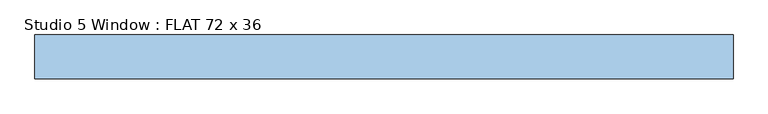
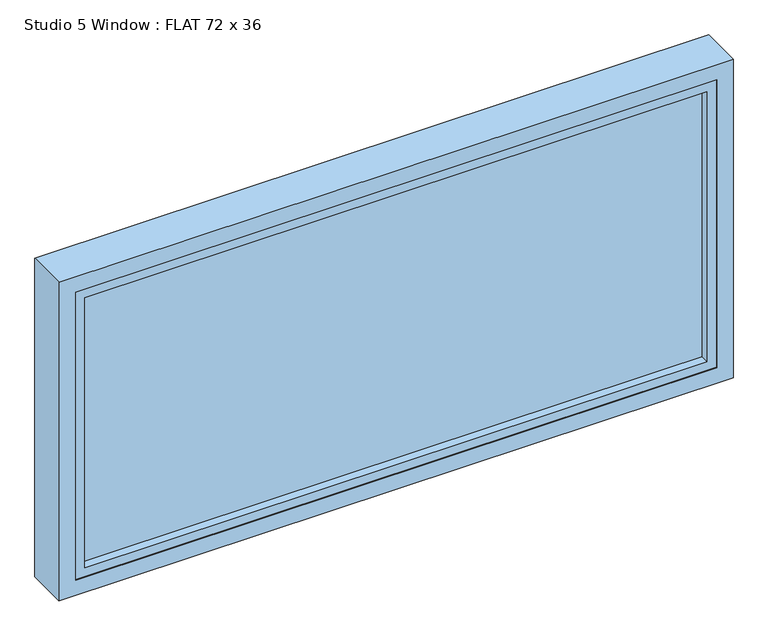
"""IFC4 building model written with IfcOpenShell, lengths in millimetres: window geometry, Studio 5 Window : FLAT 72 x 36."""

from ifc_helpers import new_model, si_unit, frame, origin, place, context, project, spatial, polyline, outline, extrude, faceted_brep, source, transform, mapped, element, save


def studio_5_window_flat_72_x_36_41930aeb(model_context):
    return source(origin(), model_context, "Body", "SolidModel", [
        faceted_brep([(-914.4, -14.3, 1714.4), (-914.4, -14.3, 800.0), (914.4, -14.3, 800.0), (914.4, -14.3, 1714.4), (-869.95, -14.3, 1669.95), (869.95, -14.3, 1669.95), (869.95, -14.3, 844.45), (-869.95, -14.3, 844.45), (-914.4, 100.0, 1714.4), (914.4, 100.0, 1714.4), (914.4, 100.0, 800.0), (-914.4, 100.0, 800.0), (-869.95, 100.0, 1669.95), (-869.95, 100.0, 844.45), (869.95, 100.0, 844.45), (869.95, 100.0, 1669.95), (-914.4, -12.5140625, 1714.4), (-914.4, 98.2140625, 1714.4), (-914.4, 98.2140625, 800.0), (-914.4, -12.5140625, 800.0), (914.4, 98.2140625, 800.0), (914.4, -12.5140625, 800.0), (914.4, 98.2140625, 1714.4), (914.4, -12.5140625, 1714.4), (-869.95, -12.5140625, 1669.95), (869.95, -12.5140625, 1669.95), (869.95, 98.2140625, 1669.95), (-869.95, 98.2140625, 1669.95), (869.95, -12.5140625, 844.45), (869.95, 98.2140625, 844.45), (-869.95, -12.5140625, 844.45), (-869.95, 98.2140625, 844.45), (-844.55, -12.5140625, 1644.55), (844.55, -12.5140625, 1644.55), (844.55, -12.5140625, 869.85), (-844.55, -12.5140625, 869.85), (-844.55, 98.2140625, 1644.55), (-844.55, 98.2140625, 869.85), (844.55, 98.2140625, 869.85), (844.55, 98.2140625, 1644.55)], [[[0, 1, 2, 3], [4, 5, 6, 7]], [[8, 9, 10, 11], [12, 13, 14, 15]], [[1, 0, 16, 17, 8, 11, 18, 19]], [[2, 1, 19, 18, 11, 10, 20, 21]], [[3, 2, 21, 20, 10, 9, 22, 23]], [[0, 3, 23, 22, 9, 8, 17, 16]], [[5, 4, 24, 25]], [[12, 15, 26, 27]], [[6, 5, 25, 28]], [[15, 14, 29, 26]], [[7, 6, 28, 30]], [[14, 13, 31, 29]], [[4, 7, 30, 24]], [[13, 12, 27, 31]], [[25, 24, 30, 28], [32, 33, 34, 35]], [[27, 26, 29, 31], [36, 37, 38, 39]], [[33, 32, 36, 39]], [[34, 33, 39, 38]], [[35, 34, 38, 37]], [[32, 35, 37, 36]]]),
        extrude(outline(polyline([(914.4, 77.3575749), (914.4, 68.9619364), (-914.4, 68.9619364), (-914.4, 77.3575749), (914.4, 77.3575749)])), frame((0.0, 0.0, 863.5), z_axis=(0.0, 0.0, 1.0), x_axis=(1.0, 0.0, 0.0)), (0.0, 0.0, 1.0), 787.428847),
        extrude(outline(polyline([(914.4, 16.6833866), (914.4, 10.2038889), (-914.4, 10.2038889), (-914.4, 16.6833866), (914.4, 16.6833866)])), frame((0.0, 0.0, 863.5), z_axis=(0.0, 0.0, 1.0), x_axis=(1.0, 0.0, 0.0)), (0.0, 0.0, 1.0), 787.428847),
    ])


if __name__ == "__main__":
    model = new_model("IFC4")
    model_context = context("Model", 3, world=origin())
    ifc_project = project(units=[si_unit("LENGTHUNIT", "METRE", prefix="MILLI")], contexts=[model_context])
    site = spatial("IfcSite", under=ifc_project)
    building = spatial("IfcBuilding", under=site)
    placement = place(None, origin())
    studio_5_window_flat_72_x_36_shape = studio_5_window_flat_72_x_36_41930aeb(model_context)
    element("IfcWindow", 1, ObjectType="Studio 5 Window : FLAT 72 x 36", at=placement, inside=building, context=model_context, shape_type="MappedRepresentation", body=[
        mapped(studio_5_window_flat_72_x_36_shape, transform((0.0, 0.0, 0.0), x_axis=(1.0, 0.0, 0.0), y_axis=(0.0, 1.0, 0.0), z_axis=(0.0, 0.0, 1.0))),
    ])
    save(model, "model.ifc")
